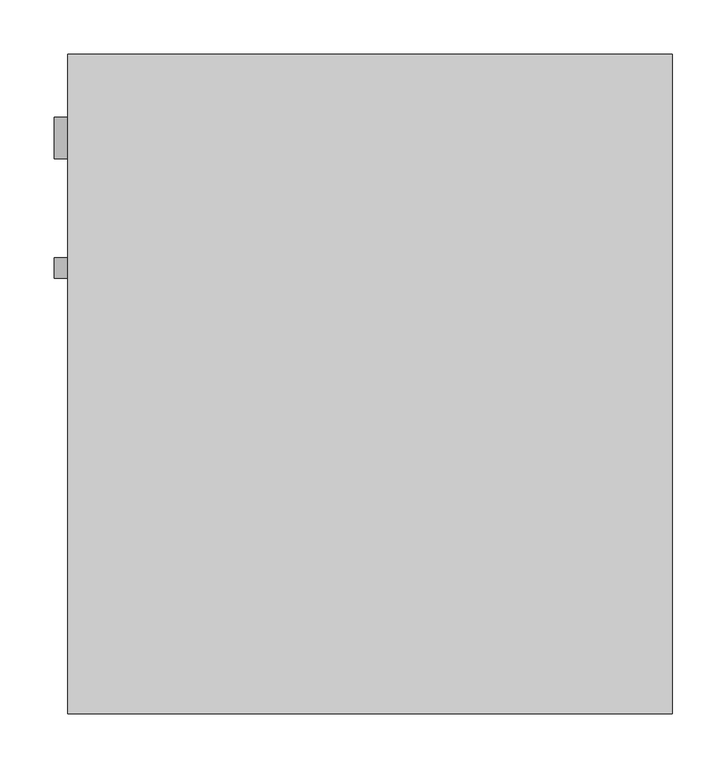
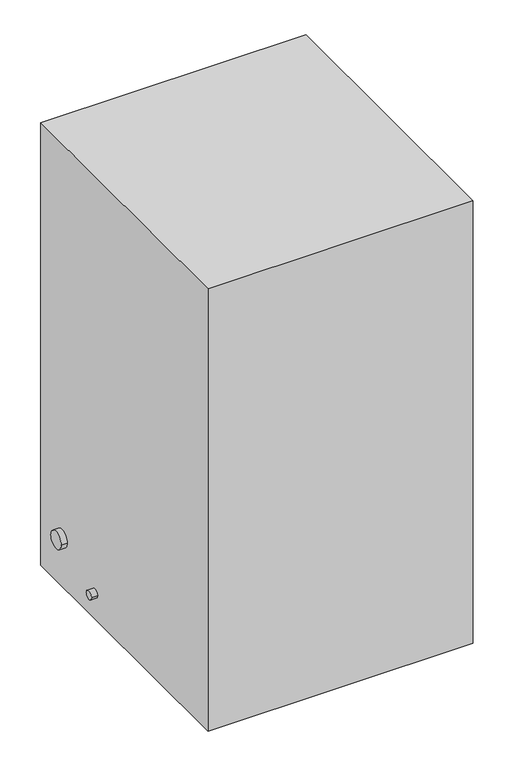
"""IFC4 building model written with IfcOpenShell, lengths in millimetres: proxy geometry."""

from ifc_helpers import new_model, si_unit, point, frame, frame_2d, origin, origin_with_axes, place, context, project, spatial, polyline, circle_curve, trimmed, segment, composite_curve, outline, extrude, source, transform, mapped, element, save


def mechanical_equipment_49a3480f(model_context):
    return source(origin(), model_context, "Body", "SweptSolid", [
        extrude(outline(composite_curve([segment(trimmed(circle_curve(frame_2d((411.9177739, 57.5165584)), 9.525), [point((421.4427739, 57.5165584))], [point((402.3927739, 57.5165584))], False, "CARTESIAN"), True, "CONTINUOUS"), segment(trimmed(circle_curve(frame_2d((411.9177739, 57.5165584)), 9.525), [point((402.3927739, 57.5165584))], [point((421.4427739, 57.5165584))], False, "CARTESIAN"), True, "CONTINUOUS")], self_intersect=False)), frame((-12.7, 0.0, 0.0), z_axis=(1.0, 0.0, 0.0), x_axis=(0.0, 1.0, 0.0)), (0.0, 0.0, 1.0), 12.7),
        extrude(outline(composite_curve([segment(trimmed(circle_curve(frame_2d((532.1806019, 107.30611)), 19.05), [point((551.2306019, 107.30611))], [point((513.1306019, 107.30611))], False, "CARTESIAN"), True, "CONTINUOUS"), segment(trimmed(circle_curve(frame_2d((532.1806019, 107.30611)), 19.05), [point((513.1306019, 107.30611))], [point((551.2306019, 107.30611))], False, "CARTESIAN"), True, "CONTINUOUS")], self_intersect=False)), frame((-12.7, 0.0, 0.0), z_axis=(1.0, 0.0, 0.0), x_axis=(0.0, 1.0, 0.0)), (0.0, 0.0, 1.0), 12.7),
        extrude(outline(polyline([(558.8, 0.0), (0.0, 0.0), (0.0, 609.6), (558.8, 609.6), (558.8, 0.0)])), origin_with_axes(), (0.0, 0.0, 1.0), 984.5476563),
    ])


if __name__ == "__main__":
    model = new_model("IFC4")
    model_context = context("Model", 3, world=origin())
    ifc_project = project(units=[si_unit("LENGTHUNIT", "METRE", prefix="MILLI")], contexts=[model_context])
    site = spatial("IfcSite", under=ifc_project)
    building = spatial("IfcBuilding", under=site)
    placement = place(None, origin())
    mechanical_equipment_shape = mechanical_equipment_49a3480f(model_context)
    element("IfcBuildingElementProxy", 1, Name="Mechanical Equipment", at=placement, inside=building, context=model_context, shape_type="MappedRepresentation", body=[
        mapped(mechanical_equipment_shape, transform((0.0, 0.0, 0.0), x_axis=(1.0, 0.0, 0.0), y_axis=(0.0, 1.0, 0.0), z_axis=(0.0, 0.0, 1.0))),
    ])
    save(model, "model.ifc")
